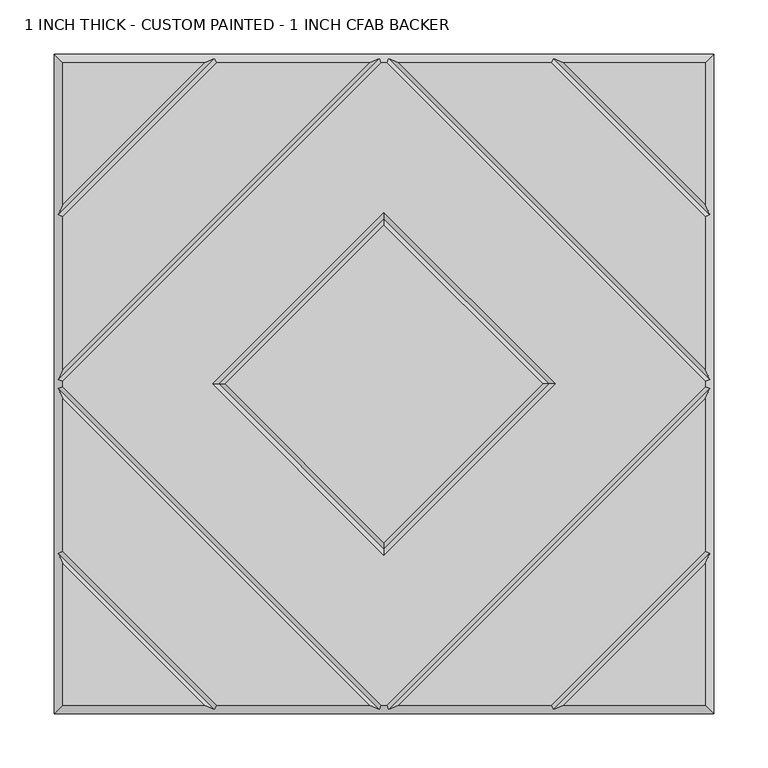
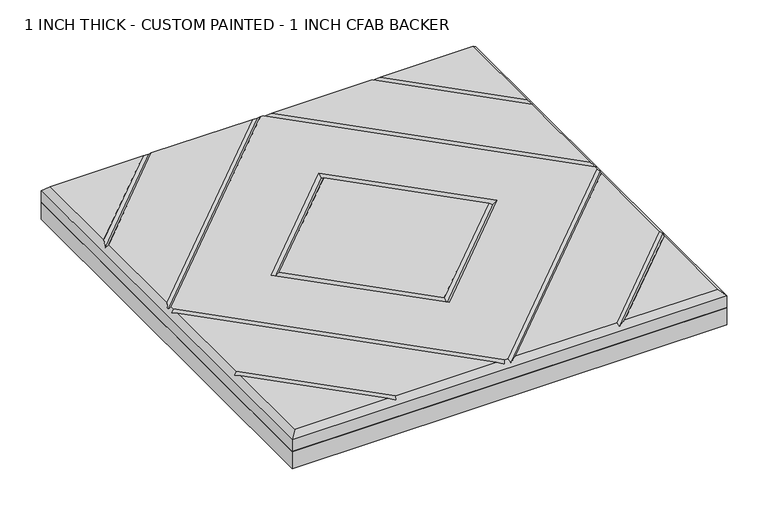
"""IFC4 building model written with IfcOpenShell, lengths in millimetres: proxy geometry, 1 INCH THICK - CUSTOM PAINTED - 1 INCH CFAB BACKER."""

from ifc_helpers import new_model, si_unit, frame, origin, place, context, project, spatial, polyline, outline, extrude, faceted_brep, source, transform, mapped, element, save


def proxy_1_inch_thick_custom_painted_1_inch_cfab_backer_fa431c2e(model_context):
    return source(origin(), model_context, "Body", "SolidModel", [
        extrude(outline(polyline([(-304.8, 304.8), (304.8, 304.8), (304.8, -304.8), (-304.8, -304.8), (-304.8, 304.8)])), frame((0.0, 0.0, -25.4), z_axis=(0.0, 0.0, 1.0), x_axis=(1.0, 0.0, 0.0)), (0.0, 0.0, 1.0), 25.4),
        faceted_brep([(296.799, 166.0585868, 25.4), (296.799, 296.799, 25.4), (166.0585868, 296.799, 25.4), (-166.0585868, 296.799, 25.4), (-296.799, 296.799, 25.4), (-296.799, 166.0585868, 25.4), (-2.3434382, -296.799, 25.4), (2.3434382, -296.799, 25.4), (296.799, -2.3434137, 25.4), (296.799, 2.3434632, 25.4), (2.3434141, 296.799, 25.4), (-2.343464, 296.799, 25.4), (-296.799, 2.343464, 25.4), (-296.799, -2.3434137, 25.4), (-158.0575614, 2.54e-05, 25.4), (0.0, 158.0575868, 25.4), (158.0575614, 2.54e-05, 25.4), (0.0, -158.057536, 25.4), (-296.799, -296.799, 25.4), (-166.0590079, -296.799, 25.4), (-296.799, -166.0585721, 25.4), (166.0590079, -296.799, 25.4), (296.799, -296.799, 25.4), (296.799, -166.0585721, 25.4), (-154.743464, 296.799, 25.4), (-296.799, 154.743464, 25.4), (-296.799, 13.6585868, 25.4), (-13.6585868, 296.799, 25.4), (-13.6585605, -296.799, 25.4), (-296.799, -13.6585369, 25.4), (-296.799, -154.7434305, 25.4), (-154.743904, -296.799, 25.4), (296.799, -13.6585369, 25.4), (13.6585605, -296.799, 25.4), (154.743904, -296.799, 25.4), (296.799, -154.7434305, 25.4), (13.6585378, 296.799, 25.4), (296.799, 13.658585, 25.4), (296.799, 154.743464, 25.4), (154.743464, 296.799, 25.4), (0.0, 146.742464, 25.4), (-146.7424386, 2.54e-05, 25.4), (0.0, -146.7424132, 25.4), (146.7424386, 2.54e-05, 25.4), (-304.8, 304.8, 0.0), (304.8, 304.8, 0.0), (304.8, -304.8, 0.0), (-304.8, -304.8, 0.0), (-304.8, -304.8, 17.399), (-304.8, 304.8, 17.399), (304.8, -304.8, 17.399), (304.8, 304.8, 17.399), (-156.4005254, 300.7995, 21.3995), (-4.0005254, 300.7995, 21.3995), (4.0004753, 300.7995, 21.3995), (156.4005254, 300.7995, 21.3995), (-300.7995, -156.4004879, 21.3995), (-300.7995, -4.0004749, 21.3995), (-300.7995, 4.0005254, 21.3995), (-300.7995, 156.4005254, 21.3995), (156.4009693, -300.7995, 21.3995), (4.0004997, -300.7995, 21.3995), (-4.0004997, -300.7995, 21.3995), (-156.4009693, -300.7995, 21.3995), (300.7995, 156.4005254, 21.3995), (300.7995, 4.0005247, 21.3995), (300.7995, -4.0004749, 21.3995), (300.7995, -156.4004879, 21.3995), (0.0, 152.4000254, 21.3995), (-152.4, 2.54e-05, 21.3995), (0.0, -152.3999746, 21.3995), (152.4, 2.54e-05, 21.3995)], [[[0, 1, 2]], [[3, 4, 5]], [[6, 7, 8, 9, 10, 11, 12, 13], [14, 15, 16, 17]], [[18, 19, 20]], [[21, 22, 23]], [[24, 25, 26, 27]], [[28, 29, 30, 31]], [[32, 33, 34, 35]], [[36, 37, 38, 39]], [[40, 41, 42, 43]], [[44, 45, 46, 47]], [[44, 47, 48, 49]], [[47, 46, 50, 48]], [[46, 45, 51, 50]], [[45, 44, 49, 51]], [[49, 4, 3, 52, 24, 27, 53, 11, 10, 54, 36, 39, 55, 2, 1, 51]], [[4, 49, 48, 18, 20, 56, 30, 29, 57, 13, 12, 58, 26, 25, 59, 5]], [[18, 48, 50, 22, 21, 60, 34, 33, 61, 7, 6, 62, 28, 31, 63, 19]], [[51, 1, 0, 64, 38, 37, 65, 9, 8, 66, 32, 35, 67, 23, 22, 50]], [[52, 59, 25, 24]], [[59, 52, 3, 5]], [[53, 58, 12, 11]], [[58, 53, 27, 26]], [[57, 62, 6, 13]], [[62, 57, 29, 28]], [[61, 66, 8, 7]], [[66, 61, 33, 32]], [[65, 54, 10, 9]], [[54, 65, 37, 36]], [[68, 69, 41, 40]], [[69, 68, 15, 14]], [[41, 69, 70, 42]], [[69, 14, 17, 70]], [[42, 70, 71, 43]], [[70, 17, 16, 71]], [[68, 40, 43, 71]], [[15, 68, 71, 16]], [[56, 63, 31, 30]], [[63, 56, 20, 19]], [[67, 60, 21, 23]], [[60, 67, 35, 34]], [[55, 64, 0, 2]], [[64, 55, 39, 38]]]),
    ])


if __name__ == "__main__":
    model = new_model("IFC4")
    model_context = context("Model", 3, world=origin())
    ifc_project = project(units=[si_unit("LENGTHUNIT", "METRE", prefix="MILLI")], contexts=[model_context])
    site = spatial("IfcSite", under=ifc_project)
    building = spatial("IfcBuilding", under=site)
    placement = place(None, origin())
    proxy_1_inch_thick_custom_painted_1_inch_cfab_backer_shape = proxy_1_inch_thick_custom_painted_1_inch_cfab_backer_fa431c2e(model_context)
    element("IfcBuildingElementProxy", 1, Name="1 INCH THICK - CUSTOM PAINTED - 1 INCH CFAB BACKER", ObjectType="1 INCH THICK - CUSTOM PAINTED - 1 INCH CFAB BACKER", at=placement, inside=building, context=model_context, shape_type="MappedRepresentation", body=[
        mapped(proxy_1_inch_thick_custom_painted_1_inch_cfab_backer_shape, transform((0.0, 0.0, 0.0), x_axis=(1.0, 0.0, 0.0), y_axis=(0.0, 1.0, 0.0), z_axis=(0.0, 0.0, 1.0))),
    ])
    save(model, "model.ifc")
